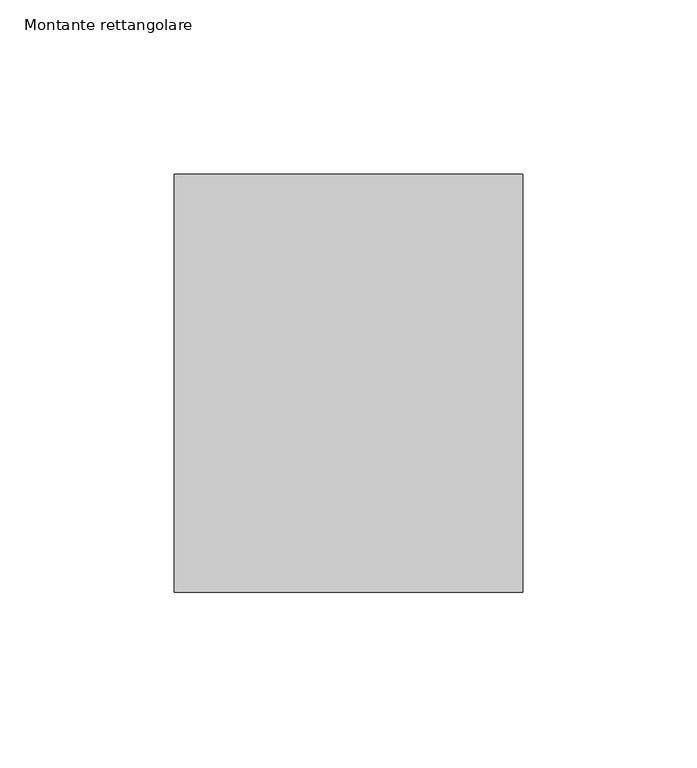
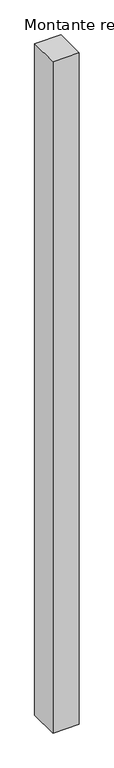
"""IFC4 building model written with IfcOpenShell, lengths in millimetres: member geometry, Montante rettangolare."""

from ifc_helpers import new_model, si_unit, frame, origin, place, context, project, spatial, polyline, outline, extrude, source, transform, mapped, element, save


def montante_rettangolare_a3dea126(model_context):
    return source(origin(), model_context, "Body", "SweptSolid", [
        extrude(outline(polyline([(0.0, 60.0), (0.0, -60.0), (-100.0, -60.0), (-100.0, 60.0), (0.0, 60.0)])), frame((0.0, 0.0, -2713.6672426), z_axis=(0.0, 0.0, 1.0), x_axis=(1.0, 0.0, 0.0)), (0.0, 0.0, 1.0), 2713.6672426),
    ])


if __name__ == "__main__":
    model = new_model("IFC4")
    model_context = context("Model", 3, world=origin())
    ifc_project = project(units=[si_unit("LENGTHUNIT", "METRE", prefix="MILLI")], contexts=[model_context])
    site = spatial("IfcSite", under=ifc_project)
    building = spatial("IfcBuilding", under=site)
    placement = place(None, origin())
    montante_rettangolare_shape = montante_rettangolare_a3dea126(model_context)
    element("IfcMember", 1, ObjectType="Montante rettangolare", at=placement, inside=building, context=model_context, shape_type="MappedRepresentation", body=[
        mapped(montante_rettangolare_shape, transform((0.0, 0.0, 0.0), x_axis=(1.0, 0.0, 0.0), y_axis=(0.0, 1.0, 0.0), z_axis=(0.0, 0.0, 1.0))),
    ])
    save(model, "model.ifc")
